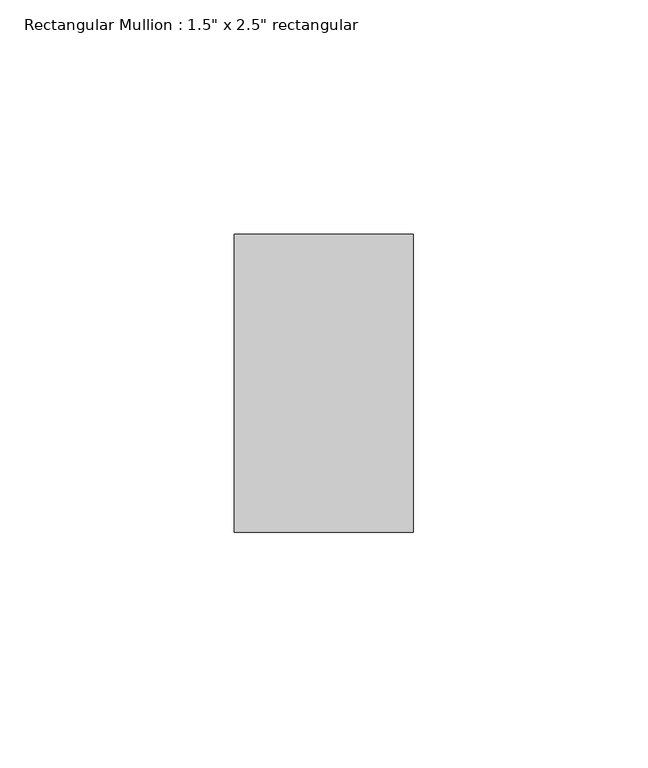
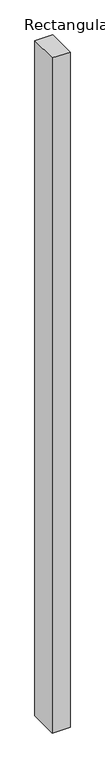
"""IFC4 building model written with IfcOpenShell, lengths in millimetres: member geometry."""

from ifc_helpers import new_model, si_unit, frame, origin, place, context, project, spatial, polyline, outline, extrude, source, transform, mapped, element, save


def member_bf2d2411(model_context):
    return source(origin(), model_context, "Body", "SweptSolid", [
        extrude(outline(polyline([(19.05, -19.05), (19.05, -82.55), (-19.05, -82.55), (-19.05, -19.05), (19.05, -19.05)])), frame((0.0, 0.0, -1517.65), z_axis=(0.0, 0.0, 1.0), x_axis=(1.0, 0.0, 0.0)), (0.0, 0.0, 1.0), 1517.65),
    ])


if __name__ == "__main__":
    model = new_model("IFC4")
    model_context = context("Model", 3, world=origin())
    ifc_project = project(units=[si_unit("LENGTHUNIT", "METRE", prefix="MILLI")], contexts=[model_context])
    site = spatial("IfcSite", under=ifc_project)
    building = spatial("IfcBuilding", under=site)
    placement = place(None, origin())
    member_shape = member_bf2d2411(model_context)
    element("IfcMember", 1, ObjectType="Rectangular Mullion : 1.5\" x 2.5\" rectangular", at=placement, inside=building, context=model_context, shape_type="MappedRepresentation", body=[
        mapped(member_shape, transform((0.0, 0.0, 0.0), x_axis=(1.0, 0.0, 0.0), y_axis=(0.0, 1.0, 0.0), z_axis=(0.0, 0.0, 1.0))),
    ])
    save(model, "model.ifc")
